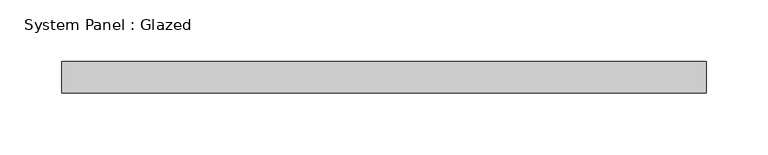
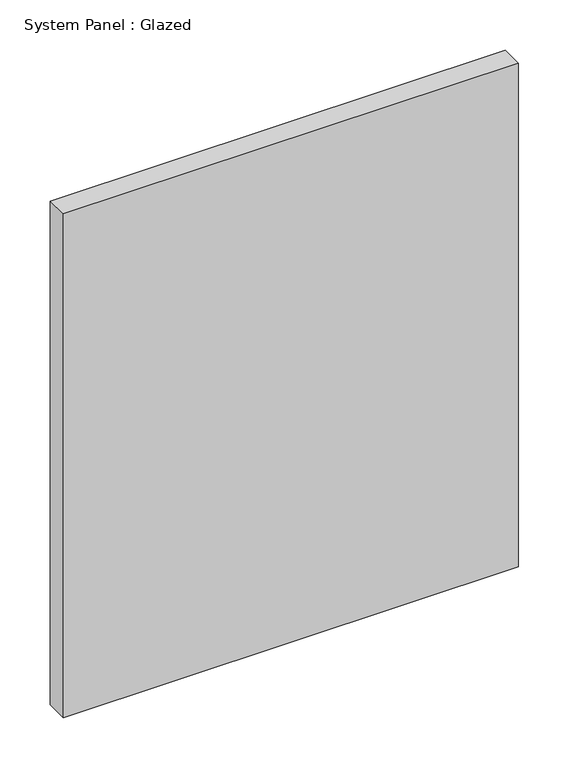
"""IFC4 building model written with IfcOpenShell, lengths in millimetres: plate geometry, System Panel : Glazed."""

from ifc_helpers import new_model, si_unit, origin, origin_with_axes, place, context, project, spatial, polyline, outline, extrude, source, transform, mapped, element, save


def system_panel_glazed_1c39b0bc(model_context):
    return source(origin(), model_context, "Body", "SweptSolid", [
        extrude(outline(polyline([(260.35, 19.05), (-260.35, 19.05), (-260.35, 44.45), (260.35, 44.45), (260.35, 19.05)])), origin_with_axes(), (0.0, 0.0, 1.0), 609.6),
    ])


if __name__ == "__main__":
    model = new_model("IFC4")
    model_context = context("Model", 3, world=origin())
    ifc_project = project(units=[si_unit("LENGTHUNIT", "METRE", prefix="MILLI")], contexts=[model_context])
    site = spatial("IfcSite", under=ifc_project)
    building = spatial("IfcBuilding", under=site)
    placement = place(None, origin())
    system_panel_glazed_shape = system_panel_glazed_1c39b0bc(model_context)
    element("IfcPlate", 1, ObjectType="System Panel : Glazed", at=placement, inside=building, context=model_context, shape_type="MappedRepresentation", body=[
        mapped(system_panel_glazed_shape, transform((0.0, 0.0, 0.0), x_axis=(1.0, 0.0, 0.0), y_axis=(0.0, 1.0, 0.0), z_axis=(0.0, 0.0, 1.0))),
    ])
    save(model, "model.ifc")
